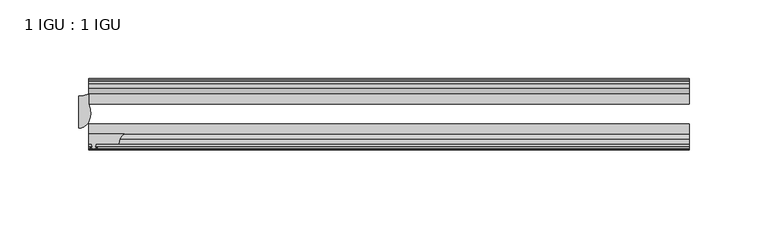
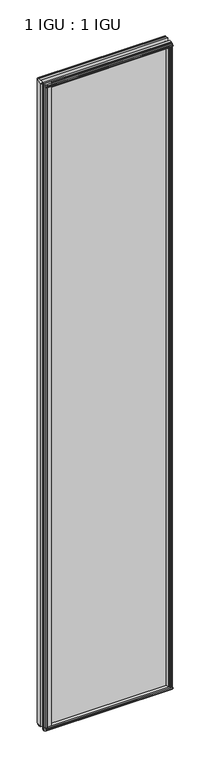
"""IFC4 building model written with IfcOpenShell, lengths in millimetres: plate geometry, 1 IGU : 1 IGU."""

import ifcopenshell
import ifcopenshell.guid

model = None  # the IFC model being written
_history = None  # IfcOwnerHistory: only IFC2X3 demands one
_inside = {}  # id of a spatial element -> (the spatial element, [elements in it])
_under = {}  # id of a project, library or spatial element -> (it, [spatial elements below it])
_declared = {}  # id of a project -> (the project, [libraries it declares])
_typed = {}  # id of a type object -> (the type object, [elements of that type])
_made_of = {}  # id of a material, layer set ... -> (it, [elements and type objects made of it])


def new_model(schema):
    """Start an empty IFC model of exactly this schema.

    Asked for "IFC4X3", IfcOpenShell would pick the latest addendum, in which some entities
    have other attributes; the version numbers below select the first issue.
    IFC2X3 requires an IfcOwnerHistory on every rooted entity: one is made here for all.
    """
    global model, _history
    if schema == "IFC4X3":
        model = ifcopenshell.file(schema_version=(4, 3, 0, 0))
    else:
        model = ifcopenshell.file(schema=schema)
    _inside.clear()
    _under.clear()
    _declared.clear()
    _typed.clear()
    _made_of.clear()
    _history = None
    if model.schema == "IFC2X3":
        org = make("IfcOrganization", Name="unknown")
        user = make(
            "IfcPersonAndOrganization",
            ThePerson=make("IfcPerson", FamilyName="unknown"),
            TheOrganization=org,
        )
        app = make(
            "IfcApplication",
            ApplicationDeveloper=org,
            Version="unknown",
            ApplicationFullName="unknown",
            ApplicationIdentifier="unknown",
        )
        _history = make(
            "IfcOwnerHistory",
            OwningUser=user,
            OwningApplication=app,
            ChangeAction="ADDED",
            CreationDate=0,
        )
    return model


def make(cls, **values):
    """One entity of the class cls with the attributes given. An attribute that is None is left unset."""
    return model.create_entity(
        cls, **{name: value for name, value in values.items() if value is not None}
    )


def rooted(cls, **values):
    """An entity with a GlobalId (a new one), such as an element, a storey or a relation."""
    return make(cls, GlobalId=ifcopenshell.guid.new(), OwnerHistory=_history, **values)


def si_unit(unit_type, name, prefix=None):
    """IfcSIUnit, for example si_unit("LENGTHUNIT", "METRE", prefix="MILLI")."""
    return make("IfcSIUnit", UnitType=unit_type, Prefix=prefix, Name=name)


def assignment(units):
    """IfcUnitAssignment: the units of a project."""
    return None if units is None else make("IfcUnitAssignment", Units=units)


def point(xyz):
    """IfcCartesianPoint."""
    return None if xyz is None else make("IfcCartesianPoint", Coordinates=xyz)


def direction(xyz):
    """IfcDirection."""
    return None if xyz is None else make("IfcDirection", DirectionRatios=xyz)


def frame(location, z_axis=None, x_axis=None):
    """IfcAxis2Placement3D, a coordinate frame: its origin and axes. An axis left out is left unset."""
    return make(
        "IfcAxis2Placement3D",
        Location=point(location),
        Axis=direction(z_axis),
        RefDirection=direction(x_axis),
    )


def frame_2d(location, x_axis=None):
    """IfcAxis2Placement2D, a coordinate frame in the plane: its origin and x axis."""
    return make(
        "IfcAxis2Placement2D", Location=point(location), RefDirection=direction(x_axis)
    )


def origin():
    """The frame at (0, 0, 0) with its axes left unset."""
    return frame((0.0, 0.0, 0.0))


def origin_with_axes():
    """The frame at (0, 0, 0) with the z axis (0, 0, 1) and the x axis (1, 0, 0) written out."""
    return frame((0.0, 0.0, 0.0), z_axis=(0.0, 0.0, 1.0), x_axis=(1.0, 0.0, 0.0))


def place(relative_to, where):
    """IfcLocalPlacement: puts the frame where relative to a parent placement (None: the world)."""
    return make(
        "IfcLocalPlacement", PlacementRelTo=relative_to, RelativePlacement=where
    )


def context(
    kind, dimensions, precision=None, world=None, true_north=None, identifier=None
):
    """IfcGeometricRepresentationContext, for example the 3D "Model" context."""
    return make(
        "IfcGeometricRepresentationContext",
        ContextIdentifier=identifier,
        ContextType=kind,
        CoordinateSpaceDimension=dimensions,
        Precision=precision,
        WorldCoordinateSystem=world,
        TrueNorth=true_north,
    )


def project(units=None, contexts=None):
    """IfcProject with its units and contexts."""
    return rooted(
        "IfcProject",
        Name="project",
        RepresentationContexts=contexts,
        UnitsInContext=assignment(units),
    )


def spatial(cls, under=None, at=None, **own):
    """A site, building, storey or space (cls), placed at a placement, below another one or the project."""
    s = rooted(cls, ObjectPlacement=at, **own)
    if under is not None:
        _under.setdefault(under.id(), (under, []))[1].append(s)
    return s


def polyline(points):
    """IfcPolyline through the points."""
    return make("IfcPolyline", Points=[point(p) for p in points])


def circle_curve(where, radius):
    """IfcCircle in the frame where."""
    return make("IfcCircle", Position=where, Radius=radius)


def ellipse_curve(where, semi_axis1, semi_axis2):
    """IfcEllipse in the frame where."""
    return make(
        "IfcEllipse", Position=where, SemiAxis1=semi_axis1, SemiAxis2=semi_axis2
    )


def trimmed(basis, trim1, trim2, sense, master):
    """IfcTrimmedCurve: the piece of a basis curve between two trims."""
    return make(
        "IfcTrimmedCurve",
        BasisCurve=basis,
        Trim1=trim1,
        Trim2=trim2,
        SenseAgreement=sense,
        MasterRepresentation=master,
    )


def segment(curve, same_sense, transition):
    """IfcCompositeCurveSegment."""
    return make(
        "IfcCompositeCurveSegment",
        Transition=transition,
        SameSense=same_sense,
        ParentCurve=curve,
    )


def composite_curve(segments, self_intersect=None):
    """IfcCompositeCurve: segments joined end to end."""
    return make("IfcCompositeCurve", Segments=segments, SelfIntersect=self_intersect)


def outline(outer, holes=None, kind="AREA"):
    """IfcArbitraryClosedProfileDef: a profile drawn as a closed curve; with holes, ...WithVoids."""
    if holes is None:
        return make("IfcArbitraryClosedProfileDef", ProfileType=kind, OuterCurve=outer)
    return make(
        "IfcArbitraryProfileDefWithVoids",
        ProfileType=kind,
        OuterCurve=outer,
        InnerCurves=holes,
    )


def extrude(swept, where, along, depth):
    """IfcExtrudedAreaSolid: the profile swept, set in the frame where, extruded along a direction by depth."""
    return make(
        "IfcExtrudedAreaSolid",
        SweptArea=swept,
        Position=where,
        ExtrudedDirection=direction(along),
        Depth=depth,
    )


def shape(context_of_items, identifier, shape_type, items):
    """IfcShapeRepresentation: the items that make up one representation, for example the "Body"."""
    return make(
        "IfcShapeRepresentation",
        ContextOfItems=context_of_items,
        RepresentationIdentifier=identifier,
        RepresentationType=shape_type,
        Items=items,
    )


def source(mapping_origin, context_of_items, identifier, shape_type, items):
    """IfcRepresentationMap: a shape defined once, which mapped items show again and again."""
    return make(
        "IfcRepresentationMap",
        MappingOrigin=mapping_origin,
        MappedRepresentation=shape(context_of_items, identifier, shape_type, items),
    )


def transform(
    local_origin,
    x_axis=None,
    y_axis=None,
    z_axis=None,
    scale=None,
    scale2=None,
    scale3=None,
    uniform=True,
):
    """IfcCartesianTransformationOperator3D, or its non-uniform kind. x_axis, y_axis, z_axis: its Axis1, 2, 3."""
    if uniform:
        return make(
            "IfcCartesianTransformationOperator3D",
            Axis1=direction(x_axis),
            Axis2=direction(y_axis),
            LocalOrigin=point(local_origin),
            Scale=scale,
            Axis3=direction(z_axis),
        )
    return make(
        "IfcCartesianTransformationOperator3DnonUniform",
        Axis1=direction(x_axis),
        Axis2=direction(y_axis),
        LocalOrigin=point(local_origin),
        Scale=scale,
        Axis3=direction(z_axis),
        Scale2=scale2,
        Scale3=scale3,
    )


def mapped(mapping_source, mapping_target):
    """IfcMappedItem: shows the shape of a source again, moved by a transform."""
    return make(
        "IfcMappedItem", MappingSource=mapping_source, MappingTarget=mapping_target
    )


def made_of(thing, what):
    """Note that an element or type object is made of a material, layer set ...; save() writes the relation."""
    if what is not None:
        _made_of.setdefault(what.id(), (what, []))[1].append(thing)
    return thing


def element(
    cls,
    number,
    at=None,
    inside=None,
    cuts=None,
    type_object=None,
    material=None,
    context=None,
    identifier="Body",
    shape_type=None,
    held_by="IfcProductDefinitionShape",
    body=None,
    shapes=None,
    **own,
):
    """One element of the class cls, such as IfcWall. Its Tag is "e" and its number.

    at: its placement. inside: the storey or other place that contains it. cuts: it is an
    opening in that element (IfcRelVoidsElement). A single representation is given by context,
    identifier, shape_type and body (its items); several are given by shapes. held_by: the class
    of the entity that holds the representations. save() writes the other relations.
    """
    e = rooted(cls, Tag="e%d" % number, ObjectPlacement=at, **own)
    if body is not None:
        shapes = [shape(context, identifier, shape_type, body)]
    if shapes is not None:
        e.Representation = make(held_by, Representations=shapes)
    if inside is not None:
        _inside.setdefault(inside.id(), (inside, []))[1].append(e)
    if cuts is not None:
        rooted(
            "IfcRelVoidsElement", RelatingBuildingElement=cuts, RelatedOpeningElement=e
        )
    if type_object is not None:
        _typed.setdefault(type_object.id(), (type_object, []))[1].append(e)
    return made_of(e, material)


def aggregate(whole, parts):
    """IfcRelAggregates: a whole, such as a stair, and the parts it consists of."""
    return rooted("IfcRelAggregates", RelatingObject=whole, RelatedObjects=parts)


def save(model, path):
    """Write the relations noted so far, then the file.

    IfcRelAggregates (storeys below a building ...), IfcRelContainedInSpatialStructure (elements
    in a storey), IfcRelDefinesByType, IfcRelAssociatesMaterial and IfcRelDeclares: one each for
    every whole, place, type object, material and project.
    """
    for whole, parts in _under.values():
        aggregate(whole, parts)
    for where, things in _inside.values():
        rooted(
            "IfcRelContainedInSpatialStructure",
            RelatedElements=things,
            RelatingStructure=where,
        )
    for kind, things in _typed.values():
        rooted("IfcRelDefinesByType", RelatedObjects=things, RelatingType=kind)
    for what, things in _made_of.values():
        rooted("IfcRelAssociatesMaterial", RelatedObjects=things, RelatingMaterial=what)
    for by, libraries in _declared.values():
        rooted("IfcRelDeclares", RelatingContext=by, RelatedDefinitions=libraries)
    model.write(path)


def plane_surface(at):
    """IfcPlane: the flat surface through the origin of the frame at, square to its z axis."""
    return make("IfcPlane", Position=at)


def cylinder_surface(at, radius):
    """IfcCylindricalSurface: all points at the distance radius from the z axis of the frame at."""
    return make("IfcCylindricalSurface", Position=at, Radius=radius)


def revolved_surface(curve, axis_point, axis_direction):
    """IfcSurfaceOfRevolution: the curve turned about the line through axis_point along axis_direction."""
    return make(
        "IfcSurfaceOfRevolution",
        SweptCurve=make("IfcArbitraryOpenProfileDef", ProfileType="CURVE", Curve=curve),
        AxisPosition=make("IfcAxis1Placement", Location=point(axis_point), Axis=direction(axis_direction)),
    )


def extruded_surface(curve, direction_of_extrusion, depth):
    """IfcSurfaceOfLinearExtrusion: the curve pushed along a direction by depth."""
    return make(
        "IfcSurfaceOfLinearExtrusion",
        SweptCurve=make("IfcArbitraryOpenProfileDef", ProfileType="CURVE", Curve=curve),
        ExtrudedDirection=direction(direction_of_extrusion),
        Depth=depth,
    )


def advanced_brep(points, edges, surfaces, faces):
    """IfcAdvancedBrep: a solid bounded by faces that lie on surfaces and meet in shared edges.

    An edge is (start, end): straight between two places in points (the first is 0);
    or (start, end, curve); or (start, end, curve, False) where it runs against its curve.
    A face is (place in surfaces, loops), or (place, loops, False) where it looks against
    its surface's normal. A loop lists edges by number (the first is 1), with a minus sign
    where the edge is run from its end to its start. The first loop is the outer one.
    """
    corners = [point(p) for p in points]
    vertices = [make("IfcVertexPoint", VertexGeometry=c) for c in corners]
    made = []
    for start, end, *more in edges:
        made.append(
            make(
                "IfcEdgeCurve",
                EdgeStart=vertices[start],
                EdgeEnd=vertices[end],
                EdgeGeometry=more[0] if more else make("IfcPolyline", Points=[corners[start], corners[end]]),
                SameSense=more[1] if len(more) > 1 else True,
            )
        )
    hull = []
    for where, loops, *sense in faces:
        bounds = []
        for j, loop in enumerate(loops):
            ring = [make("IfcOrientedEdge", EdgeElement=made[abs(k) - 1], Orientation=k > 0) for k in loop]
            bounds.append(
                make(
                    "IfcFaceOuterBound" if j == 0 else "IfcFaceBound",
                    Bound=make("IfcEdgeLoop", EdgeList=ring),
                    Orientation=True,
                )
            )
        hull.append(make("IfcAdvancedFace", Bounds=bounds, FaceSurface=surfaces[where], SameSense=sense[0] if sense else True))
    return make("IfcAdvancedBrep", Outer=make("IfcClosedShell", CfsFaces=hull))


def plate_1_igu_1_igu_70841935(model_context):
    return source(origin(), model_context, "Body", "SolidModel", [
        extrude(outline(composite_curve([segment(trimmed(circle_curve(frame_2d((-167.1484021, -51.2493858)), 7.4386445), [point((-171.0983314, -44.9460937))], [point((-174.5869, -51.2960937))], True, "CARTESIAN"), True, "CONTINUOUS"), segment(polyline([(-174.5869, -51.2960937), (-189.1919, -51.2960937), (-189.5094, -53.4006957), (-188.3034941, -53.0775742), (-188.3034941, -53.8927506), (-190.4619, -54.4710937), (-192.6203059, -53.8927506), (-192.6203059, -53.0775742), (-191.4144, -53.4006957), (-191.7319, -51.2960937), (-193.6369, -51.2960937), (-193.6369, -44.9460937), (-171.0983314, -44.9460937)]), True, "CONTINUOUS")], self_intersect=False)), origin_with_axes(), (0.0, 0.0, 1.0), 2031.9872998),
        extrude(outline(polyline([(173.0011137, -19.5460937), (175.1063908, -13.1960937), (180.3135852, -13.1960937), (180.6945852, -10.8158968), (179.2790562, -11.27583), (179.2790562, -10.4746158), (181.4565852, -9.7670937), (183.6341143, -10.4746158), (183.6341143, -11.27583), (182.2185852, -10.8158968), (182.5995852, -13.1960937), (187.0445852, -13.1960937), (187.0445852, -16.1419073), (184.8315077, -19.5460937), (173.0011137, -19.5460937)])), origin_with_axes(), (0.0, 0.0, 1.0), 2019.3),
        extrude(outline(polyline([(-16.1419073, -12.4576852), (-19.5460937, -10.2446077), (-19.5460937, 1.5857863), (-13.1960937, -0.5194908), (-13.1960937, -5.7266852), (-10.8158968, -6.1076852), (-11.27583, -4.6921562), (-10.4746158, -4.6921562), (-9.7670937, -6.8696852), (-10.4746158, -9.0472143), (-11.27583, -9.0472143), (-10.8158968, -7.6316852), (-13.1960937, -8.0126852), (-13.1960937, -12.4576852), (-16.1419073, -12.4576852)])), frame((-193.6369, 0.0, 0.0), z_axis=(1.0, 0.0, 0.0), x_axis=(0.0, 1.0, 0.0)), (0.0, 0.0, 1.0), 380.9238),
        extrude(outline(polyline([(-48.3502802, -11.938), (-51.2960937, -11.938), (-51.2960937, -7.493), (-53.6762907, -7.112), (-53.2163575, -8.5275291), (-54.0175717, -8.5275291), (-54.7250937, -6.35), (-54.0175717, -4.172471), (-53.2163575, -4.172471), (-53.6762907, -5.588), (-51.2960937, -5.207), (-51.2960937, 0.0001944), (-44.9460937, 2.1054715), (-44.9460937, -9.7249225), (-48.3502802, -11.938)])), frame((-193.6369, 0.0, 0.0), z_axis=(1.0, 0.0, 0.0), x_axis=(0.0, 1.0, 0.0)), (0.0, 0.0, 1.0), 380.9238),
        extrude(outline(polyline([(-16.1028367, 2031.7576852), (-13.1960937, 2031.7576852), (-13.1960937, 2027.3126852), (-10.8158968, 2026.9316852), (-11.27583, 2028.3472143), (-10.4746158, 2028.3472143), (-9.7670937, 2026.1696852), (-10.4746158, 2023.9921562), (-11.27583, 2023.9921562), (-10.8158968, 2025.4076852), (-13.1960937, 2025.0266852), (-13.1960937, 2019.7940908), (-19.5460937, 2017.6888137), (-19.5460937, 2029.5192077), (-16.1028367, 2031.7576852)])), frame((-193.6369, 0.0, 0.0), z_axis=(1.0, 0.0, 0.0), x_axis=(0.0, 1.0, 0.0)), (0.0, 0.0, 1.0), 380.9238),
        extrude(outline(polyline([(-48.3893508, 2031.2126), (-44.9460937, 2028.9741225), (-44.9460937, 2017.1437285), (-51.2960937, 2019.2490056), (-51.2960937, 2024.4816), (-53.6762907, 2024.8626), (-53.2163575, 2023.447071), (-54.0175717, 2023.447071), (-54.7250938, 2025.6246), (-54.0175717, 2027.8021291), (-53.2163575, 2027.8021291), (-53.6762907, 2026.3866), (-51.2960937, 2026.7676), (-51.2960937, 2031.2126), (-48.3893508, 2031.2126)])), frame((-193.6369, 0.0, 0.0), z_axis=(1.0, 0.0, 0.0), x_axis=(0.0, 1.0, 0.0)), (0.0, 0.0, 1.0), 380.9238),
        advanced_brep(
        [(-199.9869, -41.2564987, 2031.9872998), (-192.4645628, -32.2460937, 2031.9872998), (-193.6369, -25.8452937, 2031.9872998), (-193.6369, -19.5460937, 2031.9872998), (-199.9869, -20.7775816, 2031.9872998), (-199.9869, -41.2564987, 0.0), (-199.9869, -20.7775816, 0.0), (-193.6369, -19.5460937, 0.0), (-193.6369, -25.8452937, 0.0), (-192.4645628, -32.2460937, 0.0)],
        [
            (0, 1, ellipse_curve(frame((-199.9869, -32.2460937, 2031.9872998), z_axis=(0.0, 0.0, 1.0), x_axis=(0.0, 1.0, 0.0)), 9.010405, 7.5223372)),
            (1, 2, circle_curve(frame((-210.5244763, -32.2460937, 2031.9872998), z_axis=(0.0, 0.0, 1.0), x_axis=(0.0, 1.0, 0.0)), 18.0599135)),
            (2, 3),
            (3, 4, circle_curve(frame((-199.9869, -3.7903806, 2031.9872998), z_axis=(0.0, 0.0, -1.0), x_axis=(0.0, 1.0, 0.0)), 16.987201)),
            (4, 0),
            (5, 6),
            (6, 7, circle_curve(frame((-199.9869, -3.7903806, 0.0), z_axis=(0.0, 0.0, 1.0), x_axis=(0.0, 1.0, 0.0)), 16.987201)),
            (7, 8),
            (8, 9, circle_curve(frame((-210.5244763, -32.2460937, 0.0), z_axis=(0.0, 0.0, -1.0), x_axis=(0.0, 1.0, 0.0)), 18.0599135)),
            (9, 5, ellipse_curve(frame((-199.9869, -32.2460937, 0.0), z_axis=(0.0, 0.0, -1.0), x_axis=(0.0, 1.0, 0.0)), 9.010405, 7.5223372)),
            (0, 5),
            (9, 1),
            (4, 6),
            (8, 2),
            (7, 3),
        ],
        [
            plane_surface(frame((-174.5869, -13.1960937, 2031.9872998), z_axis=(0.0, 0.0, 1.0), x_axis=(0.0, 1.0, 0.0))),
            plane_surface(frame((-174.5869, -13.1960937, 0.0), z_axis=(0.0, 0.0, -1.0), x_axis=(0.0, 1.0, 0.0))),
            extruded_surface(trimmed(ellipse_curve(frame((-199.9869, -32.2460937, 0.0), z_axis=(0.0, 0.0, 1.0), x_axis=(0.0, 1.0, 0.0)), 9.010405, 7.5223372), [point((-199.9869, -41.2564987, 0.0))], [point((-192.4645628, -32.2460937, 0.0))], True, "CARTESIAN"), (0.0, 0.0, 2031.9872998), 2031.9872998),
            plane_surface(frame((-199.9869, -20.7775816, 2031.9872998), z_axis=(-1.0, 0.0, 0.0), x_axis=(0.0, 0.0, -1.0))),
            cylinder_surface(frame((-210.5244763, -32.2460937, 2031.9872998), z_axis=(0.0, 0.0, 1.0), x_axis=(0.0, 1.0, 0.0)), 18.0599135),
            plane_surface(frame((-193.6369, -25.8452937, 2031.9872998), z_axis=(1.0, 0.0, 0.0), x_axis=(0.0, 0.0, -1.0))),
            revolved_surface(polyline([(-199.9869, 13.196820399999998, 0.0), (-199.9869, 13.196820399999998, 2031.9872998)]), (-199.9869, -3.7903806, 2031.9872998), (0.0, 0.0, -1.0)),
        ],
        [
            (0, [[1, 2, 3, 4, 5]]),
            (1, [[6, 7, 8, 9, 10]]),
            (2, [[-1, 11, -10, 12]]),
            (3, [[-5, 13, -6, -11]]),
            (4, [[-2, -12, -9, 14]]),
            (5, [[-3, -14, -8, 15]]),
            (6, [[-4, -15, -7, -13]]),
        ],
    ),
        extrude(outline(polyline([(172.4814285, -44.9460938), (184.3118225, -44.9460938), (186.5249, -48.3502802), (186.5249, -51.2960938), (182.0799, -51.2960938), (181.6989, -53.6762907), (183.1144291, -53.2163575), (183.1144291, -54.0175717), (180.9369, -54.7250938), (178.759371, -54.0175717), (178.759371, -53.2163575), (180.1749, -53.6762907), (179.7939, -51.2960938), (174.5867056, -51.2960938), (172.4814285, -44.9460938)])), origin_with_axes(), (0.0, 0.0, 1.0), 2019.3),
        extrude(outline(polyline([(187.2869, -19.5460937), (187.2869, -25.8337453), (-193.6369, -25.8337453), (-193.6369, -19.5460937), (187.2869, -19.5460937)])), frame((0.0, 0.0, -12.7), z_axis=(0.0, 0.0, 1.0), x_axis=(1.0, 0.0, 0.0)), (0.0, 0.0, 1.0), 2044.6872998),
        extrude(outline(polyline([(-193.6369, -44.9460937), (-193.6369, -38.6468938), (187.2869, -38.6468938), (187.2869, -44.9460937), (-193.6369, -44.9460937)])), frame((0.0, 0.0, -12.7), z_axis=(0.0, 0.0, 1.0), x_axis=(1.0, 0.0, 0.0)), (0.0, 0.0, 1.0), 2044.6872998),
    ])


if __name__ == "__main__":
    model = new_model("IFC4")
    model_context = context("Model", 3, world=origin())
    ifc_project = project(units=[si_unit("LENGTHUNIT", "METRE", prefix="MILLI")], contexts=[model_context])
    site = spatial("IfcSite", under=ifc_project)
    building = spatial("IfcBuilding", under=site)
    placement = place(None, origin())
    plate_1_igu_1_igu_shape = plate_1_igu_1_igu_70841935(model_context)
    element("IfcPlate", 1, ObjectType="1 IGU : 1 IGU", at=placement, inside=building, context=model_context, shape_type="MappedRepresentation", body=[
        mapped(plate_1_igu_1_igu_shape, transform((0.0, 0.0, 0.0), x_axis=(1.0, 0.0, 0.0), y_axis=(0.0, 1.0, 0.0), z_axis=(0.0, 0.0, 1.0))),
    ])
    save(model, "model.ifc")
